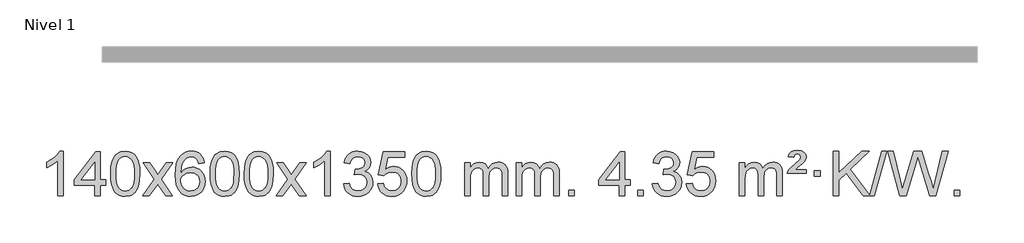
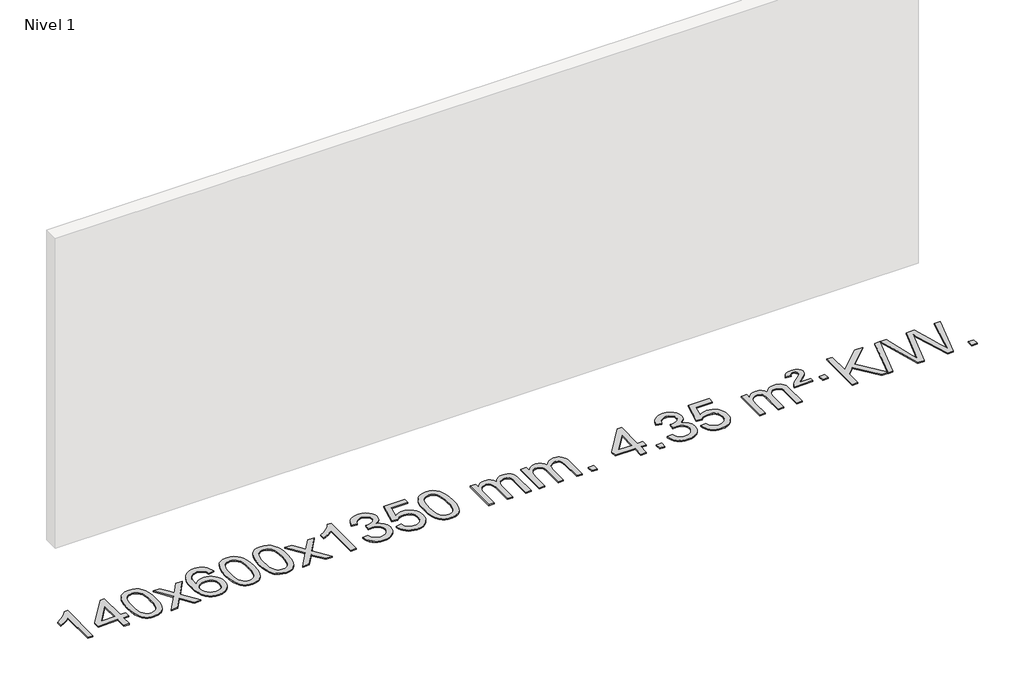
# One storey, part 2 of 18: 1 proxy.
"""IFC4 building model written with IfcOpenShell, lengths in millimetres."""

from ifc_helpers import new_model, si_unit, origin, origin_with_axes, place, context, project, spatial, polyline, outline, extrude, element, save

model = new_model("IFC4")

# Units and contexts
model_context = context("Model", 3, world=origin())
ifc_project = project(units=[si_unit("LENGTHUNIT", "METRE", prefix="MILLI")], contexts=[model_context])

# Site, building, storey
site = spatial("IfcSite", under=ifc_project)
building = spatial("IfcBuilding", under=site)
storey = spatial("IfcBuildingStorey", under=building, Name="Nivel 1", Elevation=0.0)

# Proxy
placement = place(None, origin())
element("IfcBuildingElementProxy", 1, Name="Texto de modelo 1", ObjectType="Texto de modelo 1", at=placement, inside=storey, context=model_context, shape_type="SweptSolid", body=[
    extrude(outline(polyline([(-13229.2853037, -21425.579453), (-13279.5134588, -21425.579453), (-13279.5134588, -21112.4382987), (-13300.4827325, -21129.3976587), (-13327.0928635, -21146.3324932), (-13379.9697689, -21171.6918254), (-13379.9697689, -21124.2105225), (-13340.5205563, -21102.7507395), (-13306.3443189, -21077.219729), (-13279.4030942, -21050.0700378), (-13261.6589193, -21023.7542124), (-13229.2853037, -21023.7542124), (-13229.2853037, -21425.579453)])), origin_with_axes(), (0.0, 0.0, 1.0), 10.0),
    extrude(outline(polyline([(-12946.7519314, -21425.579453), (-12946.7519314, -21331.4016622), (-13128.8289935, -21331.4016622), (-13128.8289935, -21281.1735072), (-12934.1948926, -21030.0327318), (-12896.5237763, -21030.0327318), (-12896.5237763, -21281.1735072), (-12846.2956212, -21281.1735072), (-12846.2956212, -21331.4016622), (-12896.5237763, -21331.4016622), (-12896.5237763, -21425.579453), (-12946.7519314, -21425.579453)]), holes=[polyline([(-12946.7519314, -21281.1735072), (-12946.7519314, -21125.9763561), (-13067.0248183, -21281.1735072), (-12946.7519314, -21281.1735072)])]), origin_with_axes(), (0.0, 0.0, 1.0), 10.0),
    extrude(outline(polyline([(-12802.3459855, -21227.9041943), (-12798.6549029, -21163.5861588), (-12787.5816548, -21112.2911459), (-12769.236606, -21073.2343407), (-12757.378543, -21058.0009605), (-12743.730121, -21045.6309284), (-12728.2453547, -21036.0598651), (-12710.8782588, -21029.2233914), (-12670.4970785, -21023.7542124), (-12639.5459399, -21026.991574), (-12611.832163, -21036.7036586), (-12588.6555973, -21052.5103217), (-12571.3160926, -21074.0314184), (-12558.2194935, -21101.0830078), (-12547.7716449, -21133.4811488), (-12540.9290398, -21174.6226186), (-12538.6481714, -21227.9041943), (-12542.3024659, -21291.8543477), (-12553.2653493, -21343.0267333), (-12571.5000336, -21382.1203266), (-12583.3305054, -21397.3996922), (-12596.9697304, -21409.8341036), (-12612.4728908, -21419.4695462), (-12629.8951689, -21426.3520052), (-12670.4970785, -21431.8579724), (-12698.1618045, -21429.4667394), (-12722.6872709, -21422.2930405), (-12744.0734775, -21410.3368757), (-12762.3204245, -21393.5982449), (-12779.8316074, -21363.3399508), (-12792.3395953, -21325.6381776), (-12799.844388, -21280.4929255), (-12802.3459855, -21227.9041943)]), holes=[polyline([(-12752.1178305, -21227.8060924), (-12750.6463025, -21271.4706195), (-12746.2317185, -21306.8148822), (-12738.8740786, -21333.8388804), (-12728.5733828, -21352.5426142), (-12716.1144459, -21365.2682656), (-12702.2820829, -21374.3580165), (-12687.0762937, -21379.8118671), (-12670.4970785, -21381.6298173), (-12653.9178632, -21379.8057357), (-12638.7120741, -21374.3334911), (-12624.8797111, -21365.2130833), (-12612.4207742, -21352.4445124), (-12602.1200783, -21333.7101217), (-12594.7624384, -21306.6922549), (-12590.3478545, -21271.3909118), (-12588.8763265, -21227.8060924), (-12590.2988035, -21185.2973278), (-12594.5662347, -21150.5753989), (-12601.6786199, -21123.6403055), (-12611.6359592, -21104.4920476), (-12623.8864297, -21091.1440625), (-12637.8782082, -21081.6097875), (-12653.6112949, -21075.8892225), (-12671.0856897, -21073.9823675), (-12687.5790658, -21075.6623619), (-12702.5273375, -21080.7023452), (-12715.9305049, -21089.1023175), (-12727.7885679, -21100.8622786), (-12738.4326203, -21121.708925), (-12746.0355148, -21149.8151094), (-12750.5972516, -21185.1808319), (-12752.1178305, -21227.8060924)])]), origin_with_axes(), (0.0, 0.0, 1.0), 10.0),
    extrude(outline(polyline([(-12513.5340939, -21425.579453), (-12406.2106531, -21277.2494325), (-12507.2555745, -21130.4890419), (-12446.8248254, -21130.4890419), (-12398.0681983, -21201.122385), (-12375.3085655, -21234.4770192), (-12355.5900906, -21207.2047007), (-12300.0644348, -21130.4890419), (-12239.6336857, -21130.4890419), (-12345.7799041, -21277.2494325), (-12243.5577603, -21425.579453), (-12303.9885094, -21425.579453), (-12365.498379, -21336.4048574), (-12376.7800935, -21320.1199477), (-12453.1033448, -21425.579453), (-12513.5340939, -21425.579453)])), origin_with_axes(), (0.0, 0.0, 1.0), 10.0),
    extrude(outline(polyline([(-11954.7458687, -21130.4890419), (-12004.9740237, -21136.7675613), (-12013.0674276, -21111.874213), (-12024.0057856, -21094.8780648), (-12046.7899439, -21079.2062918), (-12074.3320426, -21073.9823675), (-12097.6802865, -21077.0235253), (-12119.6551044, -21086.1469988), (-12138.5274507, -21105.3627017), (-12153.9417063, -21131.8134171), (-12164.3527668, -21169.227016), (-12168.2155277, -21221.3313693), (-12148.0678571, -21197.8237098), (-12123.9225355, -21181.2567573), (-12097.1284635, -21171.434308), (-12069.0345418, -21168.1601582), (-12044.9014829, -21170.398107), (-12022.6323595, -21177.1119534), (-12002.2271715, -21188.3016975), (-11983.6859189, -21203.9673391), (-11968.2777947, -21223.1769106), (-11957.2719917, -21244.9984443), (-11950.6685099, -21269.4319401), (-11948.4673493, -21296.4773982), (-11952.6121531, -21332.4439945), (-11965.0465645, -21365.786366), (-11984.740514, -21394.0642287), (-12010.6639319, -21414.8372987), (-12041.6395959, -21427.602804), (-12076.4902836, -21431.8579724), (-12106.4328123, -21429.0375437), (-12133.4752046, -21420.5762579), (-12157.6174606, -21406.4741147), (-12178.8595801, -21386.7311143), (-12196.177625, -21360.5133908), (-12208.5476571, -21326.9870783), (-12215.9696764, -21286.1521768), (-12218.4436828, -21238.0086864), (-12215.6968306, -21184.0342663), (-12207.4562739, -21137.9693092), (-12193.7220127, -21099.8138149), (-12174.4940471, -21069.5677835), (-12153.6535321, -21049.5243462), (-12129.4898164, -21035.2076052), (-12102.0029, -21026.6175606), (-12071.1927829, -21023.7542124), (-12048.0591367, -21025.5261773), (-12027.1205198, -21030.8420722), (-12008.3769322, -21039.7018969), (-11991.8283738, -21052.1056515), (-11977.9224344, -21067.6364031), (-11967.1067037, -21085.8772186), (-11959.3811818, -21106.8280983), (-11954.7458687, -21130.4890419)]), holes=[polyline([(-12168.2155277, -21295.6925832), (-12165.30926, -21317.9494439), (-12156.5904567, -21339.2007605), (-12143.0523993, -21357.472233), (-12125.6883691, -21370.7895612), (-12104.7313581, -21378.9197533), (-12080.4143582, -21381.6298173), (-12047.2681904, -21376.0134855), (-12033.353054, -21368.9930708), (-12021.2098825, -21359.1644901), (-12011.359842, -21346.9262824), (-12004.3240989, -21332.6769865), (-11998.6955043, -21298.1451299), (-12004.2505225, -21264.9989621), (-12011.1942951, -21251.3781312), (-12020.9155769, -21239.725469), (-12033.0955366, -21230.3904634), (-12047.4153432, -21223.7226022), (-12082.4744974, -21218.3883133), (-12115.5716142, -21223.7226022), (-12143.248603, -21239.725469), (-12154.1716326, -21251.2248471), (-12161.9737965, -21264.3858254), (-12166.6550949, -21279.2084042), (-12168.2155277, -21295.6925832)])]), origin_with_axes(), (0.0, 0.0, 1.0), 10.0),
    extrude(outline(polyline([(-11904.5177136, -21227.9041943), (-11900.8266309, -21163.5861588), (-11889.7533828, -21112.2911459), (-11871.408334, -21073.2343407), (-11859.550271, -21058.0009605), (-11845.901849, -21045.6309284), (-11830.4170827, -21036.0598651), (-11813.0499869, -21029.2233914), (-11772.6688065, -21023.7542124), (-11741.717668, -21026.991574), (-11714.003891, -21036.7036586), (-11690.8273253, -21052.5103217), (-11673.4878206, -21074.0314184), (-11660.3912216, -21101.0830078), (-11649.9433729, -21133.4811488), (-11643.1007678, -21174.6226186), (-11640.8198994, -21227.9041943), (-11644.4741939, -21291.8543477), (-11655.4370774, -21343.0267333), (-11673.6717616, -21382.1203266), (-11685.5022334, -21397.3996922), (-11699.1414584, -21409.8341036), (-11714.6446188, -21419.4695462), (-11732.066897, -21426.3520052), (-11772.6688065, -21431.8579724), (-11800.3335326, -21429.4667394), (-11824.8589989, -21422.2930405), (-11846.2452055, -21410.3368757), (-11864.4921525, -21393.5982449), (-11882.0033355, -21363.3399508), (-11894.5113233, -21325.6381776), (-11902.016116, -21280.4929255), (-11904.5177136, -21227.9041943)]), holes=[polyline([(-11854.2895585, -21227.8060924), (-11852.8180305, -21271.4706195), (-11848.4034466, -21306.8148822), (-11841.0458067, -21333.8388804), (-11830.7451108, -21352.5426142), (-11818.2861739, -21365.2682656), (-11804.4538109, -21374.3580165), (-11789.2480218, -21379.8118671), (-11772.6688065, -21381.6298173), (-11756.0895913, -21379.8057357), (-11740.8838021, -21374.3334911), (-11727.0514391, -21365.2130833), (-11714.5925022, -21352.4445124), (-11704.2918063, -21333.7101217), (-11696.9341664, -21306.6922549), (-11692.5195825, -21271.3909118), (-11691.0480545, -21227.8060924), (-11692.4705316, -21185.2973278), (-11696.7379627, -21150.5753989), (-11703.8503479, -21123.6403055), (-11713.8076873, -21104.4920476), (-11726.0581577, -21091.1440625), (-11740.0499363, -21081.6097875), (-11755.7830229, -21075.8892225), (-11773.2574177, -21073.9823675), (-11789.7507938, -21075.6623619), (-11804.6990656, -21080.7023452), (-11818.1022329, -21089.1023175), (-11829.9602959, -21100.8622786), (-11840.6043483, -21121.708925), (-11848.2072429, -21149.8151094), (-11852.7689796, -21185.1808319), (-11854.2895585, -21227.8060924)])]), origin_with_axes(), (0.0, 0.0, 1.0), 10.0),
    extrude(outline(polyline([(-11596.8702638, -21227.9041943), (-11593.1791811, -21163.5861588), (-11582.105933, -21112.2911459), (-11563.7608842, -21073.2343407), (-11551.9028212, -21058.0009605), (-11538.2543992, -21045.6309284), (-11522.7696329, -21036.0598651), (-11505.402537, -21029.2233914), (-11465.0213567, -21023.7542124), (-11434.0702182, -21026.991574), (-11406.3564412, -21036.7036586), (-11383.1798755, -21052.5103217), (-11365.8403708, -21074.0314184), (-11352.7437718, -21101.0830078), (-11342.2959231, -21133.4811488), (-11335.453318, -21174.6226186), (-11333.1724496, -21227.9041943), (-11336.8267441, -21291.8543477), (-11347.7896275, -21343.0267333), (-11366.0243118, -21382.1203266), (-11377.8547836, -21397.3996922), (-11391.4940086, -21409.8341036), (-11406.997169, -21419.4695462), (-11424.4194471, -21426.3520052), (-11465.0213567, -21431.8579724), (-11492.6860827, -21429.4667394), (-11517.2115491, -21422.2930405), (-11538.5977557, -21410.3368757), (-11556.8447027, -21393.5982449), (-11574.3558856, -21363.3399508), (-11586.8638735, -21325.6381776), (-11594.3686662, -21280.4929255), (-11596.8702638, -21227.9041943)]), holes=[polyline([(-11546.6421087, -21227.8060924), (-11545.1705807, -21271.4706195), (-11540.7559968, -21306.8148822), (-11533.3983568, -21333.8388804), (-11523.097661, -21352.5426142), (-11510.6387241, -21365.2682656), (-11496.8063611, -21374.3580165), (-11481.6005719, -21379.8118671), (-11465.0213567, -21381.6298173), (-11448.4421414, -21379.8057357), (-11433.2363523, -21374.3334911), (-11419.4039893, -21365.2130833), (-11406.9450524, -21352.4445124), (-11396.6443565, -21333.7101217), (-11389.2867166, -21306.6922549), (-11384.8721327, -21271.3909118), (-11383.4006047, -21227.8060924), (-11384.8230817, -21185.2973278), (-11389.0905129, -21150.5753989), (-11396.2028981, -21123.6403055), (-11406.1602375, -21104.4920476), (-11418.4107079, -21091.1440625), (-11432.4024864, -21081.6097875), (-11448.1355731, -21075.8892225), (-11465.6099679, -21073.9823675), (-11482.103344, -21075.6623619), (-11497.0516157, -21080.7023452), (-11510.4547831, -21089.1023175), (-11522.3128461, -21100.8622786), (-11532.9568985, -21121.708925), (-11540.559793, -21149.8151094), (-11545.1215298, -21185.1808319), (-11546.6421087, -21227.8060924)])]), origin_with_axes(), (0.0, 0.0, 1.0), 10.0),
    extrude(outline(polyline([(-11308.0583721, -21425.579453), (-11200.7349313, -21277.2494325), (-11301.7798527, -21130.4890419), (-11241.3491036, -21130.4890419), (-11192.5924765, -21201.122385), (-11169.8328437, -21234.4770192), (-11150.1143688, -21207.2047007), (-11094.588713, -21130.4890419), (-11034.1579639, -21130.4890419), (-11140.3041823, -21277.2494325), (-11038.0820385, -21425.579453), (-11098.5127876, -21425.579453), (-11160.0226572, -21336.4048574), (-11171.3043717, -21320.1199477), (-11247.627623, -21425.579453), (-11308.0583721, -21425.579453)])), origin_with_axes(), (0.0, 0.0, 1.0), 10.0),
    extrude(outline(polyline([(-10818.3338601, -21425.579453), (-10868.5620152, -21425.579453), (-10868.5620152, -21112.4382987), (-10889.5312889, -21129.3976587), (-10916.1414199, -21146.3324932), (-10969.0183253, -21171.6918254), (-10969.0183253, -21124.2105225), (-10929.5691127, -21102.7507395), (-10895.3928753, -21077.219729), (-10868.4516506, -21050.0700378), (-10850.7074757, -21023.7542124), (-10818.3338601, -21023.7542124), (-10818.3338601, -21425.579453)])), origin_with_axes(), (0.0, 0.0, 1.0), 10.0),
    extrude(outline(polyline([(-10699.0419918, -21318.8446235), (-10648.8138367, -21312.5661041), (-10637.5689104, -21344.1303793), (-10621.1000597, -21365.4430095), (-10598.5979444, -21377.5831154), (-10569.2532239, -21381.6298173), (-10534.8194691, -21376.0625364), (-10520.5456477, -21369.1034354), (-10508.2338636, -21359.3606939), (-10491.2377154, -21334.4428201), (-10485.5723327, -21304.2274455), (-10491.1886645, -21275.5449126), (-10508.0376599, -21252.2825078), (-10533.5441449, -21236.8682522), (-10565.1329455, -21231.730167), (-10600.3515152, -21237.2238715), (-10594.7597089, -21186.9957164), (-10586.7153559, -21187.5843276), (-10556.6226087, -21183.979084), (-10529.7181721, -21173.1633534), (-10518.6449241, -21164.9841103), (-10510.7354612, -21154.8673555), (-10505.9897835, -21142.8130888), (-10504.4078909, -21128.8213102), (-10508.9941531, -21107.1285352), (-10522.7529397, -21089.5315131), (-10543.7467389, -21077.8696539), (-10570.0380388, -21073.9823675), (-10596.3783897, -21077.9064421), (-10617.9117491, -21089.6786659), (-10633.632573, -21109.299039), (-10642.5353173, -21136.7675613), (-10692.7634724, -21130.4890419), (-10686.8099154, -21106.5092672), (-10677.9746162, -21085.3867093), (-10666.2575747, -21067.1213683), (-10651.6587908, -21051.713244), (-10634.6381172, -21039.4811677), (-10615.6554062, -21030.7439703), (-10594.710658, -21025.5016519), (-10571.8038724, -21023.7542124), (-10540.2273345, -21027.2000404), (-10511.2259705, -21037.5375245), (-10486.7740806, -21053.8469596), (-10468.8459647, -21075.2086408), (-10457.846293, -21099.8199463), (-10454.1797358, -21125.8782543), (-10457.662352, -21150.1584659), (-10468.1102007, -21172.1823347), (-10485.376129, -21190.9443165), (-10509.3129841, -21205.4388671), (-10477.8713363, -21218.1430586), (-10454.5721433, -21239.77452), (-10440.151169, -21269.1560286), (-10435.3441776, -21305.1103623), (-10437.7476733, -21330.5923218), (-10444.9581605, -21354.0631931), (-10456.975639, -21375.5229762), (-10473.8001089, -21394.971671), (-10494.2972674, -21411.1094278), (-10517.3328116, -21422.636397), (-10542.9067417, -21429.5525785), (-10571.0190575, -21431.8579724), (-10596.4274406, -21429.8898037), (-10619.5794808, -21423.9852977), (-10640.4751782, -21414.1444543), (-10659.1145326, -21400.3672736), (-10674.743386, -21383.4630959), (-10686.6075804, -21364.2412617), (-10694.7071156, -21342.7017708), (-10699.0419918, -21318.8446235)])), origin_with_axes(), (0.0, 0.0, 1.0), 10.0),
    extrude(outline(polyline([(-10391.394542, -21318.8446235), (-10341.1663869, -21312.5661041), (-10331.9448115, -21342.7201649), (-10315.8561056, -21364.3148381), (-10292.9738455, -21377.3010725), (-10263.3716076, -21381.6298173), (-10244.2417439, -21380.1245668), (-10227.368223, -21375.6088153), (-10212.7510451, -21368.0825628), (-10200.3902101, -21357.5458094), (-10190.5616294, -21344.519721), (-10183.5412147, -21329.5254641), (-10177.9248829, -21293.6324441), (-10183.1855954, -21259.8363514), (-10189.7614861, -21245.9181493), (-10198.967733, -21233.9865099), (-10210.834993, -21224.4154467), (-10225.393923, -21217.5789729), (-10262.5867927, -21212.1097939), (-10286.9528435, -21214.2925604), (-10306.6835812, -21220.8408599), (-10322.4411933, -21230.8717757), (-10334.8878675, -21243.5023908), (-10385.1160226, -21237.2238715), (-10341.1663869, -21030.0327318), (-10146.532286, -21030.0327318), (-10146.532286, -21080.2608869), (-10300.5522146, -21080.2608869), (-10322.0365231, -21190.919791), (-10304.3107423, -21178.2155994), (-10286.1557659, -21169.1411769), (-10267.5715937, -21163.6965234), (-10248.558226, -21161.8816388), (-10224.097139, -21164.1318504), (-10201.6287461, -21170.882485), (-10181.1530474, -21182.1335427), (-10162.6700428, -21197.8850234), (-10147.3692175, -21217.1743027), (-10136.4400566, -21239.038756), (-10129.88256, -21263.4783832), (-10127.6967278, -21290.4931844), (-10129.6648965, -21316.5147042), (-10135.5694025, -21340.7213394), (-10145.4102459, -21363.1130902), (-10159.1874266, -21383.6899565), (-10180.0585985, -21404.7634634), (-10204.4123865, -21419.8159684), (-10232.2487908, -21428.8474714), (-10263.5678114, -21431.8579724), (-10289.4881636, -21429.9235262), (-10312.9007869, -21424.1201877), (-10333.8056813, -21414.447957), (-10352.2028467, -21400.9068338), (-10367.5098034, -21384.1712688), (-10379.1440715, -21364.915712), (-10387.105651, -21343.1401636), (-10391.394542, -21318.8446235)])), origin_with_axes(), (0.0, 0.0, 1.0), 10.0),
    extrude(outline(polyline([(-10083.7470921, -21227.9041943), (-10080.0560094, -21163.5861588), (-10068.9827614, -21112.2911459), (-10050.6377126, -21073.2343407), (-10038.7796496, -21058.0009605), (-10025.1312276, -21045.6309284), (-10009.6464612, -21036.0598651), (-9992.2793654, -21029.2233914), (-9951.8981851, -21023.7542124), (-9920.9470465, -21026.991574), (-9893.2332696, -21036.7036586), (-9870.0567039, -21052.5103217), (-9852.7171992, -21074.0314184), (-9839.6206001, -21101.0830078), (-9829.1727515, -21133.4811488), (-9822.3301463, -21174.6226186), (-9820.049278, -21227.9041943), (-9823.7035725, -21291.8543477), (-9834.6664559, -21343.0267333), (-9852.9011401, -21382.1203266), (-9864.731612, -21397.3996922), (-9878.3708369, -21409.8341036), (-9893.8739974, -21419.4695462), (-9911.2962755, -21426.3520052), (-9951.8981851, -21431.8579724), (-9979.5629111, -21429.4667394), (-10004.0883774, -21422.2930405), (-10025.4745841, -21410.3368757), (-10043.721531, -21393.5982449), (-10061.232714, -21363.3399508), (-10073.7407019, -21325.6381776), (-10081.2454946, -21280.4929255), (-10083.7470921, -21227.9041943)]), holes=[polyline([(-10033.518937, -21227.8060924), (-10032.0474091, -21271.4706195), (-10027.6328251, -21306.8148822), (-10020.2751852, -21333.8388804), (-10009.9744894, -21352.5426142), (-9997.5155525, -21365.2682656), (-9983.6831894, -21374.3580165), (-9968.4774003, -21379.8118671), (-9951.8981851, -21381.6298173), (-9935.3189698, -21379.8057357), (-9920.1131807, -21374.3334911), (-9906.2808176, -21365.2130833), (-9893.8218807, -21352.4445124), (-9883.5211849, -21333.7101217), (-9876.163545, -21306.6922549), (-9871.748961, -21271.3909118), (-9870.2774331, -21227.8060924), (-9871.6999101, -21185.2973278), (-9875.9673412, -21150.5753989), (-9883.0797265, -21123.6403055), (-9893.0370658, -21104.4920476), (-9905.2875363, -21091.1440625), (-9919.2793148, -21081.6097875), (-9935.0124015, -21075.8892225), (-9952.4867962, -21073.9823675), (-9968.9801724, -21075.6623619), (-9983.9284441, -21080.7023452), (-9997.3316115, -21089.1023175), (-10009.1896744, -21100.8622786), (-10019.8337268, -21121.708925), (-10027.4366214, -21149.8151094), (-10031.9983581, -21185.1808319), (-10033.518937, -21227.8060924)])]), origin_with_axes(), (0.0, 0.0, 1.0), 10.0),
    extrude(outline(polyline([(-9606.5796189, -21425.579453), (-9606.5796189, -21130.4890419), (-9556.3514638, -21130.4890419), (-9556.3514638, -21179.0494653), (-9541.2437766, -21156.7435537), (-9521.8196072, -21139.2691589), (-9498.7411434, -21127.9751816), (-9472.6705727, -21124.2105225), (-9444.7360665, -21128.048758), (-9422.3443157, -21139.5634645), (-9405.6179477, -21157.9943524), (-9394.6795897, -21182.5811324), (-9376.3713291, -21157.0439906), (-9355.4878945, -21138.803175), (-9332.0292859, -21127.8586857), (-9305.9955034, -21124.2105225), (-9285.8876867, -21125.7280358), (-9268.2385479, -21130.2805755), (-9253.0480872, -21137.8681416), (-9240.3163045, -21148.4907342), (-9230.2516663, -21162.2709806), (-9223.0626389, -21179.3315082), (-9218.7492225, -21199.6723168), (-9217.3114171, -21223.2934066), (-9217.3114171, -21425.579453), (-9267.5395722, -21425.579453), (-9267.5395722, -21244.875817), (-9268.7045318, -21219.8230531), (-9272.1994108, -21202.9372695), (-9278.7477103, -21191.3735121), (-9289.0729316, -21182.2868268), (-9302.3534716, -21176.4007149), (-9317.7677272, -21174.4386776), (-9344.9787321, -21179.4663982), (-9367.1620165, -21194.54956), (-9375.7673895, -21206.1194488), (-9381.9140845, -21220.7182326), (-9386.8314405, -21259.0024856), (-9386.8314405, -21425.579453), (-9437.0595955, -21425.579453), (-9437.0595955, -21239.2840106), (-9439.9658633, -21210.8835206), (-9448.6846666, -21190.6254854), (-9464.0253458, -21178.4853796), (-9486.7972413, -21174.4386776), (-9506.1478342, -21177.1364789), (-9523.9778483, -21185.2298828), (-9538.6931281, -21198.5226856), (-9548.6995183, -21216.8186835), (-9554.4384775, -21242.2025411), (-9556.3514638, -21276.7589232), (-9556.3514638, -21425.579453), (-9606.5796189, -21425.579453)])), origin_with_axes(), (0.0, 0.0, 1.0), 10.0),
    extrude(outline(polyline([(-9141.9691845, -21425.579453), (-9141.9691845, -21130.4890419), (-9091.7410294, -21130.4890419), (-9091.7410294, -21179.0494653), (-9076.6333421, -21156.7435537), (-9057.2091728, -21139.2691589), (-9034.130709, -21127.9751816), (-9008.0601382, -21124.2105225), (-8980.1256321, -21128.048758), (-8957.7338813, -21139.5634645), (-8941.0075132, -21157.9943524), (-8930.0691552, -21182.5811324), (-8911.7608946, -21157.0439906), (-8890.87746, -21138.803175), (-8867.4188515, -21127.8586857), (-8841.3850689, -21124.2105225), (-8821.2772522, -21125.7280358), (-8803.6281135, -21130.2805755), (-8788.4376528, -21137.8681416), (-8775.7058701, -21148.4907342), (-8765.6412318, -21162.2709806), (-8758.4522045, -21179.3315082), (-8754.1387881, -21199.6723168), (-8752.7009826, -21223.2934066), (-8752.7009826, -21425.579453), (-8802.9291377, -21425.579453), (-8802.9291377, -21244.875817), (-8804.0940974, -21219.8230531), (-8807.5889763, -21202.9372695), (-8814.1372758, -21191.3735121), (-8824.4624972, -21182.2868268), (-8837.7430372, -21176.4007149), (-8853.1572928, -21174.4386776), (-8880.3682977, -21179.4663982), (-8902.551582, -21194.54956), (-8911.156955, -21206.1194488), (-8917.30365, -21220.7182326), (-8922.221006, -21259.0024856), (-8922.221006, -21425.579453), (-8972.4491611, -21425.579453), (-8972.4491611, -21239.2840106), (-8975.3554289, -21210.8835206), (-8984.0742321, -21190.6254854), (-8999.4149113, -21178.4853796), (-9022.1868068, -21174.4386776), (-9041.5373998, -21177.1364789), (-9059.3674138, -21185.2298828), (-9074.0826936, -21198.5226856), (-9084.0890839, -21216.8186835), (-9089.828043, -21242.2025411), (-9091.7410294, -21276.7589232), (-9091.7410294, -21425.579453), (-9141.9691845, -21425.579453)])), origin_with_axes(), (0.0, 0.0, 1.0), 10.0),
    extrude(outline(polyline([(-8664.8017113, -21425.579453), (-8664.8017113, -21375.3512979), (-8614.5735562, -21375.3512979), (-8614.5735562, -21425.579453), (-8664.8017113, -21425.579453)])), origin_with_axes(), (0.0, 0.0, 1.0), 10.0),
    extrude(outline(polyline([(-8212.7483156, -21425.579453), (-8212.7483156, -21331.4016622), (-8394.8253777, -21331.4016622), (-8394.8253777, -21281.1735072), (-8200.1912768, -21030.0327318), (-8162.5201605, -21030.0327318), (-8162.5201605, -21281.1735072), (-8112.2920054, -21281.1735072), (-8112.2920054, -21331.4016622), (-8162.5201605, -21331.4016622), (-8162.5201605, -21425.579453), (-8212.7483156, -21425.579453)]), holes=[polyline([(-8212.7483156, -21281.1735072), (-8212.7483156, -21125.9763561), (-8333.0212025, -21281.1735072), (-8212.7483156, -21281.1735072)])]), origin_with_axes(), (0.0, 0.0, 1.0), 10.0),
    extrude(outline(polyline([(-8043.2282922, -21425.579453), (-8043.2282922, -21375.3512979), (-7993.0001371, -21375.3512979), (-7993.0001371, -21425.579453), (-8043.2282922, -21425.579453)])), origin_with_axes(), (0.0, 0.0, 1.0), 10.0),
    extrude(outline(polyline([(-7911.3793851, -21318.8446235), (-7861.1512301, -21312.5661041), (-7849.9063037, -21344.1303793), (-7833.4374531, -21365.4430095), (-7810.9353377, -21377.5831154), (-7781.5906172, -21381.6298173), (-7747.1568625, -21376.0625364), (-7732.8830411, -21369.1034354), (-7720.571257, -21359.3606939), (-7703.5751088, -21334.4428201), (-7697.9097261, -21304.2274455), (-7703.5260579, -21275.5449126), (-7720.3750532, -21252.2825078), (-7745.8815382, -21236.8682522), (-7777.4703389, -21231.730167), (-7812.6889086, -21237.2238715), (-7807.0971022, -21186.9957164), (-7799.0527493, -21187.5843276), (-7768.9600021, -21183.979084), (-7742.0555655, -21173.1633534), (-7730.9823174, -21164.9841103), (-7723.0728545, -21154.8673555), (-7718.3271768, -21142.8130888), (-7716.7452842, -21128.8213102), (-7721.3315464, -21107.1285352), (-7735.090333, -21089.5315131), (-7756.0841322, -21077.8696539), (-7782.3754322, -21073.9823675), (-7808.715783, -21077.9064421), (-7830.2491425, -21089.6786659), (-7845.9699664, -21109.299039), (-7854.8727107, -21136.7675613), (-7905.1008658, -21130.4890419), (-7899.1473088, -21106.5092672), (-7890.3120095, -21085.3867093), (-7878.594968, -21067.1213683), (-7863.9961842, -21051.713244), (-7846.9755105, -21039.4811677), (-7827.9927996, -21030.7439703), (-7807.0480513, -21025.5016519), (-7784.1412657, -21023.7542124), (-7752.5647278, -21027.2000404), (-7723.5633639, -21037.5375245), (-7699.1114739, -21053.8469596), (-7681.183358, -21075.2086408), (-7670.1836864, -21099.8199463), (-7666.5171291, -21125.8782543), (-7669.9997454, -21150.1584659), (-7680.447594, -21172.1823347), (-7697.7135223, -21190.9443165), (-7721.6503775, -21205.4388671), (-7690.2087296, -21218.1430586), (-7666.9095366, -21239.77452), (-7652.4885624, -21269.1560286), (-7647.681571, -21305.1103623), (-7650.0850667, -21330.5923218), (-7657.2955538, -21354.0631931), (-7669.3130323, -21375.5229762), (-7686.1375022, -21394.971671), (-7706.6346607, -21411.1094278), (-7729.670205, -21422.636397), (-7755.244135, -21429.5525785), (-7783.3564508, -21431.8579724), (-7808.7648339, -21429.8898037), (-7831.9168742, -21423.9852977), (-7852.8125715, -21414.1444543), (-7871.4519259, -21400.3672736), (-7887.0807794, -21383.4630959), (-7898.9449737, -21364.2412617), (-7907.044509, -21342.7017708), (-7911.3793851, -21318.8446235)])), origin_with_axes(), (0.0, 0.0, 1.0), 10.0),
    extrude(outline(polyline([(-7603.7319353, -21318.8446235), (-7553.5037802, -21312.5661041), (-7544.2822049, -21342.7201649), (-7528.193499, -21364.3148381), (-7505.3112389, -21377.3010725), (-7475.709001, -21381.6298173), (-7456.5791372, -21380.1245668), (-7439.7056164, -21375.6088153), (-7425.0884384, -21368.0825628), (-7412.7276034, -21357.5458094), (-7402.8990228, -21344.519721), (-7395.878608, -21329.5254641), (-7390.2622762, -21293.6324441), (-7395.5229888, -21259.8363514), (-7402.0988794, -21245.9181493), (-7411.3051264, -21233.9865099), (-7423.1723864, -21224.4154467), (-7437.7313163, -21217.5789729), (-7474.9241861, -21212.1097939), (-7499.2902369, -21214.2925604), (-7519.0209745, -21220.8408599), (-7534.7785867, -21230.8717757), (-7547.2252608, -21243.5023908), (-7597.4534159, -21237.2238715), (-7553.5037802, -21030.0327318), (-7358.8696793, -21030.0327318), (-7358.8696793, -21080.2608869), (-7512.889608, -21080.2608869), (-7534.3739165, -21190.919791), (-7516.6481357, -21178.2155994), (-7498.4931592, -21169.1411769), (-7479.9089871, -21163.6965234), (-7460.8956193, -21161.8816388), (-7436.4345323, -21164.1318504), (-7413.9661395, -21170.882485), (-7393.4904407, -21182.1335427), (-7375.0074362, -21197.8850234), (-7359.7066109, -21217.1743027), (-7348.7774499, -21239.038756), (-7342.2199533, -21263.4783832), (-7340.0341212, -21290.4931844), (-7342.0022898, -21316.5147042), (-7347.9067959, -21340.7213394), (-7357.7476392, -21363.1130902), (-7371.5248199, -21383.6899565), (-7392.3959918, -21404.7634634), (-7416.7497799, -21419.8159684), (-7444.5861842, -21428.8474714), (-7475.9052047, -21431.8579724), (-7501.825557, -21429.9235262), (-7525.2381803, -21424.1201877), (-7546.1430746, -21414.447957), (-7564.5402401, -21400.9068338), (-7579.8471968, -21384.1712688), (-7591.4814649, -21364.915712), (-7599.4430444, -21343.1401636), (-7603.7319353, -21318.8446235)])), origin_with_axes(), (0.0, 0.0, 1.0), 10.0),
    extrude(outline(polyline([(-7126.5644621, -21425.579453), (-7126.5644621, -21130.4890419), (-7076.336307, -21130.4890419), (-7076.336307, -21179.0494653), (-7061.2286197, -21156.7435537), (-7041.8044504, -21139.2691589), (-7018.7259866, -21127.9751816), (-6992.6554158, -21124.2105225), (-6964.7209097, -21128.048758), (-6942.3291589, -21139.5634645), (-6925.6027909, -21157.9943524), (-6914.6644329, -21182.5811324), (-6896.3561722, -21157.0439906), (-6875.4727377, -21138.803175), (-6852.0141291, -21127.8586857), (-6825.9803466, -21124.2105225), (-6805.8725298, -21125.7280358), (-6788.2233911, -21130.2805755), (-6773.0329304, -21137.8681416), (-6760.3011477, -21148.4907342), (-6750.2365094, -21162.2709806), (-6743.0474821, -21179.3315082), (-6738.7340657, -21199.6723168), (-6737.2962603, -21223.2934066), (-6737.2962603, -21425.579453), (-6787.5244153, -21425.579453), (-6787.5244153, -21244.875817), (-6788.689375, -21219.8230531), (-6792.1842539, -21202.9372695), (-6798.7325535, -21191.3735121), (-6809.0577748, -21182.2868268), (-6822.3383148, -21176.4007149), (-6837.7525704, -21174.4386776), (-6864.9635753, -21179.4663982), (-6887.1468596, -21194.54956), (-6895.7522326, -21206.1194488), (-6901.8989276, -21220.7182326), (-6906.8162836, -21259.0024856), (-6906.8162836, -21425.579453), (-6957.0444387, -21425.579453), (-6957.0444387, -21239.2840106), (-6959.9507065, -21210.8835206), (-6968.6695098, -21190.6254854), (-6984.010189, -21178.4853796), (-7006.7820845, -21174.4386776), (-7026.1326774, -21177.1364789), (-7043.9626914, -21185.2298828), (-7058.6779713, -21198.5226856), (-7068.6843615, -21216.8186835), (-7074.4233206, -21242.2025411), (-7076.336307, -21276.7589232), (-7076.336307, -21425.579453), (-7126.5644621, -21425.579453)])), origin_with_axes(), (0.0, 0.0, 1.0), 10.0),
    extrude(outline(polyline([(-6693.3466246, -21224.6668327), (-6689.5206518, -21208.8479069), (-6681.1819933, -21192.9799302), (-6659.6731593, -21167.8413272), (-6627.7164766, -21140.1030247), (-6583.5706372, -21102.726214), (-6576.4337265, -21091.1992448), (-6574.0547563, -21079.3779701), (-6575.9432172, -21067.2869152), (-6581.6085999, -21057.5012541), (-6590.977328, -21051.026531), (-6603.9758252, -21048.8682899), (-6616.4102366, -21050.4869707), (-6625.26393, -21055.343013), (-6631.6896022, -21064.8098431), (-6636.8399501, -21080.2608869), (-6687.0681052, -21073.9823675), (-6676.2278491, -21048.7701881), (-6659.5995829, -21031.2099542), (-6635.834406, -21020.9092583), (-6603.5834178, -21017.475693), (-6567.8007624, -21021.6082341), (-6543.0545668, -21034.0058573), (-6528.6335926, -21052.3386434), (-6523.8266012, -21074.2766731), (-6527.9223541, -21097.1834586), (-6540.2096127, -21118.8149199), (-6560.737428, -21138.6314968), (-6597.2067965, -21166.6886303), (-6622.8113834, -21193.2742358), (-6523.8266012, -21193.2742358), (-6523.8266012, -21224.6668327), (-6693.3466246, -21224.6668327)])), origin_with_axes(), (0.0, 0.0, 1.0), 10.0),
    extrude(outline(polyline([(-6448.4843686, -21249.7809102), (-6448.4843686, -21199.5527552), (-6398.2562135, -21199.5527552), (-6398.2562135, -21249.7809102), (-6448.4843686, -21249.7809102)])), origin_with_axes(), (0.0, 0.0, 1.0), 10.0),
    extrude(outline(polyline([(-6007.6145856, -21425.579453), (-6161.045903, -21222.9009991), (-6228.7361901, -21287.4520265), (-6228.7361901, -21425.579453), (-6278.9643452, -21425.579453), (-6278.9643452, -21023.7542124), (-6228.7361901, -21023.7542124), (-6228.7361901, -21220.4484525), (-6022.7222728, -21023.7542124), (-5952.4813372, -21023.7542124), (-6125.4349259, -21188.9577537), (-5950.781316, -21419.5349332), (-5839.4679883, -21023.7542124), (-5794.1449265, -21023.7542124), (-5907.1582754, -21425.579453), (-5946.2028178, -21425.579453), (-5952.4813372, -21425.579453), (-6007.6145856, -21425.579453)])), origin_with_axes(), (0.0, 0.0, 1.0), 10.0),
    extrude(outline(polyline([(-5679.6600496, -21425.579453), (-5789.2398332, -21023.7542124), (-5737.4420483, -21023.7542124), (-5673.8720395, -21287.844434), (-5654.2516665, -21369.3670841), (-5633.2578673, -21297.2622131), (-5553.5991526, -21023.7542124), (-5478.943633, -21023.7542124), (-5421.0635325, -21222.0180823), (-5396.268286, -21295.5944814), (-5377.9968136, -21369.3670841), (-5358.9650517, -21290.1988788), (-5294.8064317, -21023.7542124), (-5243.0086468, -21023.7542124), (-5352.6865323, -21425.579453), (-5406.3482526, -21425.579453), (-5502.6842845, -21115.5775584), (-5516.12424, -21072.3146358), (-5531.2319273, -21124.4067263), (-5619.0330968, -21425.579453), (-5679.6600496, -21425.579453)])), origin_with_axes(), (0.0, 0.0, 1.0), 10.0),
    extrude(outline(polyline([(-5186.5019723, -21425.579453), (-5186.5019723, -21375.3512979), (-5136.2738173, -21375.3512979), (-5136.2738173, -21425.579453), (-5186.5019723, -21425.579453)])), origin_with_axes(), (0.0, 0.0, 1.0), 10.0),
])

save(model, "model.ifc")
